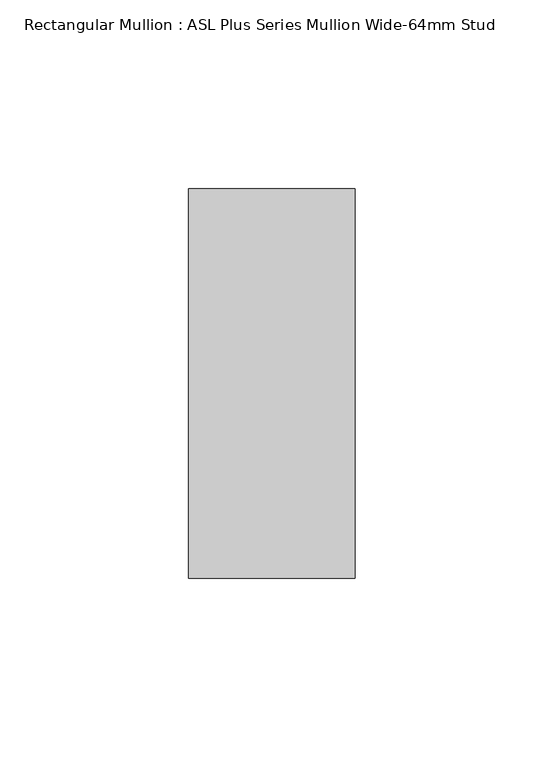
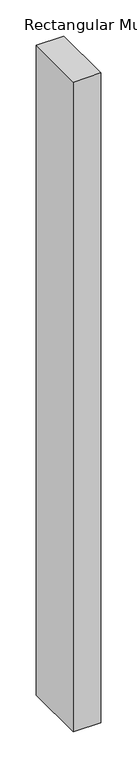
"""IFC4 building model written with IfcOpenShell, lengths in millimetres: member geometry, Rectangular Mullion : ASL Plus Series Mullion Wide-64mm Stud."""

from ifc_helpers import new_model, si_unit, frame, origin, place, context, project, spatial, polyline, outline, extrude, source, transform, mapped, element, save


def rectangular_mullion_asl_plus_series_mullion_wide_64mm_stud_dc1699e6(model_context):
    return source(origin(), model_context, "Body", "SweptSolid", [
        extrude(outline(polyline([(22.0, 51.5), (22.0, -51.5), (-22.0, -51.5), (-22.0, 51.5), (22.0, 51.5)])), frame((0.0, 0.0, -1100.0), z_axis=(0.0, 0.0, 1.0), x_axis=(1.0, 0.0, 0.0)), (0.0, 0.0, 1.0), 1100.0),
    ])


if __name__ == "__main__":
    model = new_model("IFC4")
    model_context = context("Model", 3, world=origin())
    ifc_project = project(units=[si_unit("LENGTHUNIT", "METRE", prefix="MILLI")], contexts=[model_context])
    site = spatial("IfcSite", under=ifc_project)
    building = spatial("IfcBuilding", under=site)
    placement = place(None, origin())
    rectangular_mullion_asl_plus_series_mullion_wide_64mm_stud_shape = rectangular_mullion_asl_plus_series_mullion_wide_64mm_stud_dc1699e6(model_context)
    element("IfcMember", 1, ObjectType="Rectangular Mullion : ASL Plus Series Mullion Wide-64mm Stud", at=placement, inside=building, context=model_context, shape_type="MappedRepresentation", body=[
        mapped(rectangular_mullion_asl_plus_series_mullion_wide_64mm_stud_shape, transform((0.0, 0.0, 0.0), x_axis=(1.0, 0.0, 0.0), y_axis=(0.0, 1.0, 0.0), z_axis=(0.0, 0.0, 1.0))),
    ])
    save(model, "model.ifc")
